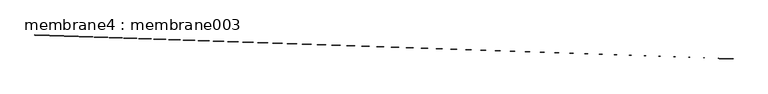
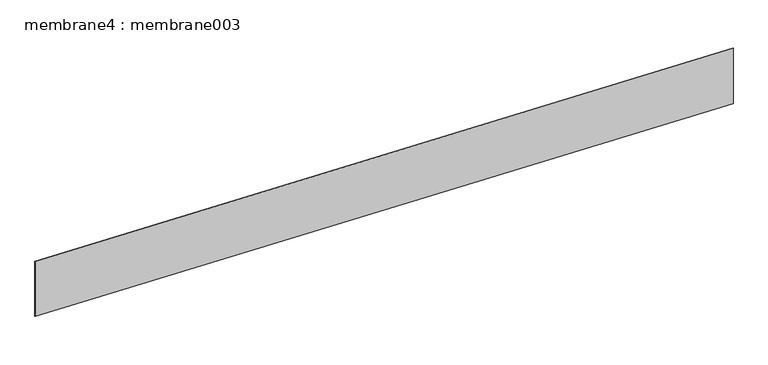
"""IFC4 building model written with IfcOpenShell, lengths in millimetres: proxy geometry, membrane4 : membrane003."""

from ifc_helpers import new_model, si_unit, frame, origin, place, context, project, spatial, polyline, outline, extrude, source, transform, mapped, element, save


def membrane4_membrane003_2489b1a2(model_context):
    return source(origin(), model_context, "Body", "SweptSolid", [
        extrude(outline(polyline([(17307.6463173, -14539.4048779), (34366.4601803, -15123.1882518), (34366.2972943, -15127.9479655), (17307.4834313, -14544.1645916), (17307.6463173, -14539.4048779)])), frame((0.0, 0.0, 4260.0221586), z_axis=(0.0, 0.0, 1.0), x_axis=(1.0, 0.0, 0.0)), (0.0, 0.0, 1.0), 1454.3410494),
    ])


if __name__ == "__main__":
    model = new_model("IFC4")
    model_context = context("Model", 3, world=origin())
    ifc_project = project(units=[si_unit("LENGTHUNIT", "METRE", prefix="MILLI")], contexts=[model_context])
    site = spatial("IfcSite", under=ifc_project)
    building = spatial("IfcBuilding", under=site)
    placement = place(None, origin())
    membrane4_membrane003_shape = membrane4_membrane003_2489b1a2(model_context)
    element("IfcBuildingElementProxy", 1, Name="membrane4 : membrane003", ObjectType="membrane4 : membrane003", at=placement, inside=building, context=model_context, shape_type="MappedRepresentation", body=[
        mapped(membrane4_membrane003_shape, transform((0.0, 0.0, 0.0), x_axis=(1.0, 0.0, 0.0), y_axis=(0.0, 1.0, 0.0), z_axis=(0.0, 0.0, 1.0))),
    ])
    save(model, "model.ifc")
